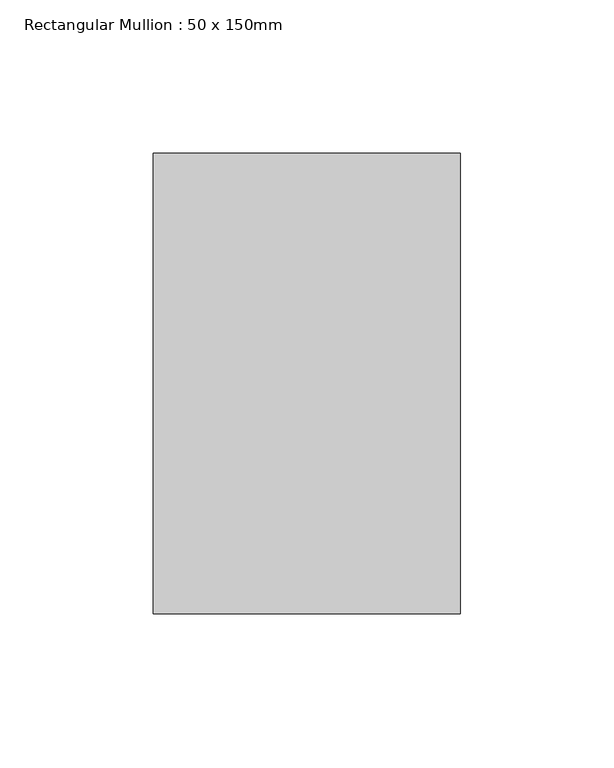
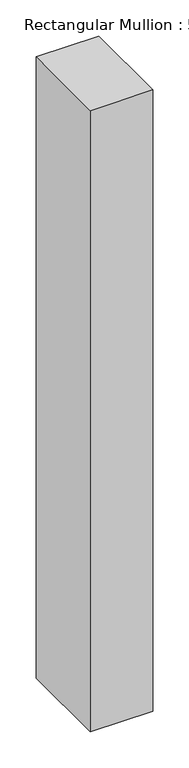
"""IFC4 building model written with IfcOpenShell, lengths in millimetres: member geometry, Rectangular Mullion : 50 x 150mm."""

from ifc_helpers import new_model, si_unit, frame, origin, place, context, project, spatial, polyline, outline, extrude, source, transform, mapped, element, save


def rectangular_mullion_50_x_150mm_ca235487(model_context):
    return source(origin(), model_context, "Body", "SweptSolid", [
        extrude(outline(polyline([(50.0, 75.0), (50.0, -75.0), (-50.0, -75.0), (-50.0, 75.0), (50.0, 75.0)])), frame((0.0, 0.0, -1050.0), z_axis=(0.0, 0.0, 1.0), x_axis=(1.0, 0.0, 0.0)), (0.0, 0.0, 1.0), 1050.0),
    ])


if __name__ == "__main__":
    model = new_model("IFC4")
    model_context = context("Model", 3, world=origin())
    ifc_project = project(units=[si_unit("LENGTHUNIT", "METRE", prefix="MILLI")], contexts=[model_context])
    site = spatial("IfcSite", under=ifc_project)
    building = spatial("IfcBuilding", under=site)
    placement = place(None, origin())
    rectangular_mullion_50_x_150mm_shape = rectangular_mullion_50_x_150mm_ca235487(model_context)
    element("IfcMember", 1, ObjectType="Rectangular Mullion : 50 x 150mm", at=placement, inside=building, context=model_context, shape_type="MappedRepresentation", body=[
        mapped(rectangular_mullion_50_x_150mm_shape, transform((0.0, 0.0, 0.0), x_axis=(1.0, 0.0, 0.0), y_axis=(0.0, 1.0, 0.0), z_axis=(0.0, 0.0, 1.0))),
    ])
    save(model, "model.ifc")
